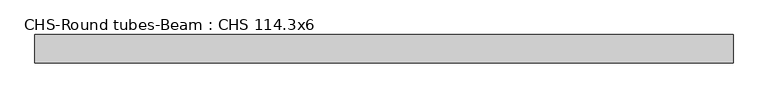
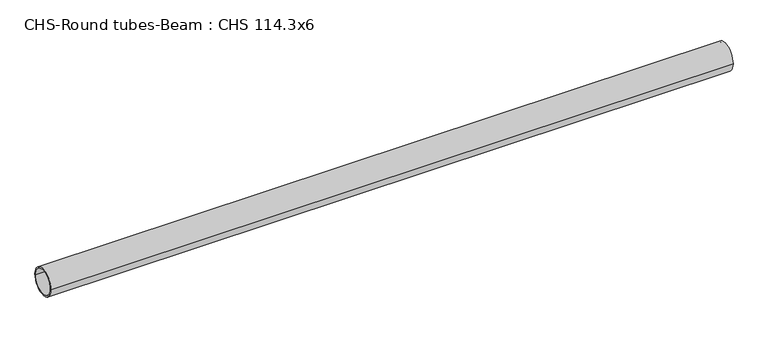
"""IFC4 building model written with IfcOpenShell, lengths in millimetres: beam geometry, CHS-Round tubes-Beam : CHS 114.3x6."""

from ifc_helpers import new_model, si_unit, point, frame, origin, origin_2d, place, context, project, spatial, circle_curve, trimmed, segment, composite_curve, outline, extrude, source, transform, mapped, element, save


def chs_round_tubes_beam_chs_114_3x6_fce09fca(model_context):
    return source(origin(), model_context, "Body", "SweptSolid", [
        extrude(outline(composite_curve([segment(trimmed(circle_curve(origin_2d(), 57.15), [point((57.15, 0.0))], [point((-57.15, 0.0))], False, "CARTESIAN"), True, "CONTINUOUS"), segment(trimmed(circle_curve(origin_2d(), 57.15), [point((-57.15, 0.0))], [point((57.15, 0.0))], False, "CARTESIAN"), True, "CONTINUOUS")], self_intersect=False), holes=[composite_curve([segment(trimmed(circle_curve(origin_2d(), 51.15), [point((51.15, 0.0))], [point((-51.15, 0.0))], True, "CARTESIAN"), True, "CONTINUOUS"), segment(trimmed(circle_curve(origin_2d(), 51.15), [point((-51.15, 0.0))], [point((51.15, 0.0))], True, "CARTESIAN"), True, "CONTINUOUS")], self_intersect=False)]), frame((-1413.6362754, 0.0, 0.0), z_axis=(1.0, 0.0, 0.0), x_axis=(0.0, 1.0, 0.0)), (0.0, 0.0, 1.0), 2830.6783146),
    ])


if __name__ == "__main__":
    model = new_model("IFC4")
    model_context = context("Model", 3, world=origin())
    ifc_project = project(units=[si_unit("LENGTHUNIT", "METRE", prefix="MILLI")], contexts=[model_context])
    site = spatial("IfcSite", under=ifc_project)
    building = spatial("IfcBuilding", under=site)
    placement = place(None, origin())
    chs_round_tubes_beam_chs_114_3x6_shape = chs_round_tubes_beam_chs_114_3x6_fce09fca(model_context)
    element("IfcBeam", 1, ObjectType="CHS-Round tubes-Beam : CHS 114.3x6", at=placement, inside=building, context=model_context, shape_type="MappedRepresentation", body=[
        mapped(chs_round_tubes_beam_chs_114_3x6_shape, transform((0.0, 0.0, 0.0), x_axis=(1.0, 0.0, 0.0), y_axis=(0.0, 1.0, 0.0), z_axis=(0.0, 0.0, 1.0))),
    ])
    save(model, "model.ifc")
